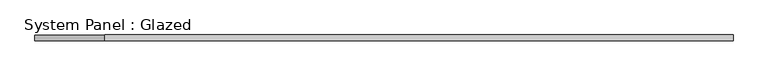
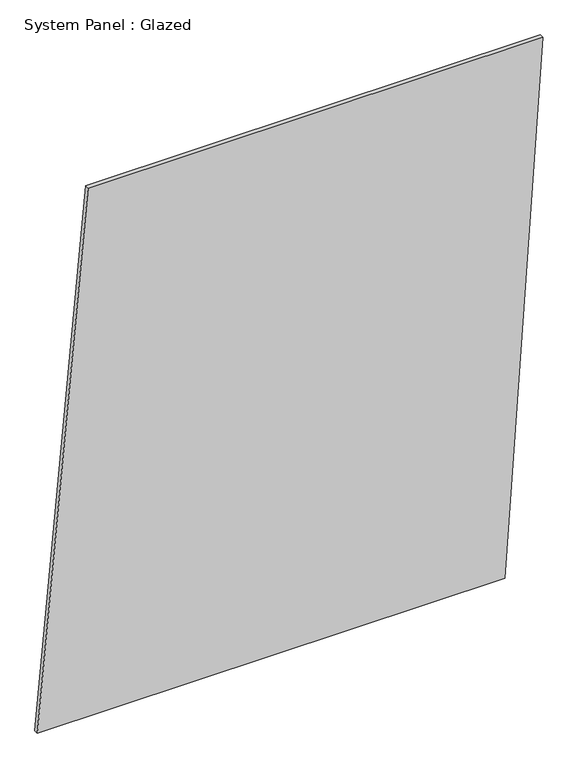
"""IFC4 building model written with IfcOpenShell, lengths in millimetres: plate geometry, System Panel : Glazed."""

from ifc_helpers import new_model, si_unit, frame, origin, place, context, project, spatial, polyline, outline, extrude, source, transform, mapped, element, save


def system_panel_glazed_dfa903a9(model_context):
    return source(origin(), model_context, "Body", "SweptSolid", [
        extrude(outline(polyline([(0.0, -1513.8631946), (0.0, 1286.1368054), (3342.6754788, 1513.8631946), (3342.6754788, -1210.228009), (0.0, -1513.8631946)])), frame((0.0, -49.5, 0.0), z_axis=(0.0, 1.0, 0.0), x_axis=(0.0, 0.0, 1.0)), (0.0, 0.0, 1.0), 25.0),
    ])


if __name__ == "__main__":
    model = new_model("IFC4")
    model_context = context("Model", 3, world=origin())
    ifc_project = project(units=[si_unit("LENGTHUNIT", "METRE", prefix="MILLI")], contexts=[model_context])
    site = spatial("IfcSite", under=ifc_project)
    building = spatial("IfcBuilding", under=site)
    placement = place(None, origin())
    system_panel_glazed_shape = system_panel_glazed_dfa903a9(model_context)
    element("IfcPlate", 1, ObjectType="System Panel : Glazed", at=placement, inside=building, context=model_context, shape_type="MappedRepresentation", body=[
        mapped(system_panel_glazed_shape, transform((0.0, 0.0, 0.0), x_axis=(1.0, 0.0, 0.0), y_axis=(0.0, 1.0, 0.0), z_axis=(0.0, 0.0, 1.0))),
    ])
    save(model, "model.ifc")
